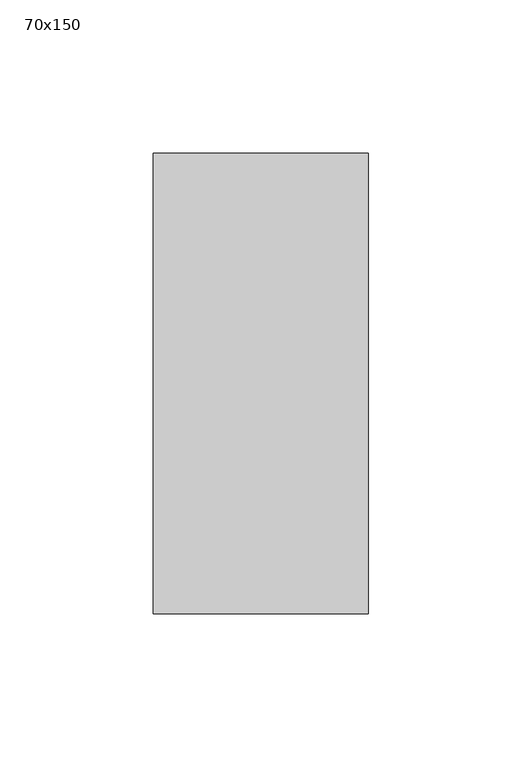
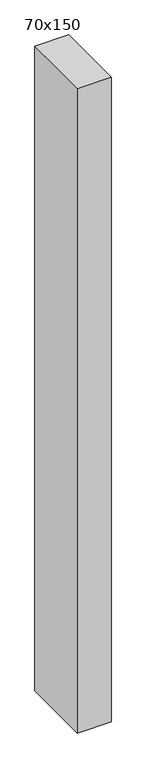
"""IFC4 building model written with IfcOpenShell, lengths in millimetres: member geometry, 70x150."""

from ifc_helpers import new_model, si_unit, frame, origin, place, context, project, spatial, polyline, outline, extrude, source, transform, mapped, element, save


def member_70x150_6df770a6(model_context):
    return source(origin(), model_context, "Body", "SweptSolid", [
        extrude(outline(polyline([(-75.0, -0.7561664), (75.0, 0.7561664), (75.0, -1401.6672959), (-75.0, -1402.2838104), (-75.0, -0.7561664)])), frame((-70.0, 0.0, 0.0), z_axis=(1.0, 0.0, 0.0), x_axis=(0.0, 1.0, 0.0)), (0.0, 0.0, 1.0), 70.0),
    ])


if __name__ == "__main__":
    model = new_model("IFC4")
    model_context = context("Model", 3, world=origin())
    ifc_project = project(units=[si_unit("LENGTHUNIT", "METRE", prefix="MILLI")], contexts=[model_context])
    site = spatial("IfcSite", under=ifc_project)
    building = spatial("IfcBuilding", under=site)
    placement = place(None, origin())
    member_70x150_shape = member_70x150_6df770a6(model_context)
    element("IfcMember", 1, ObjectType="70x150", at=placement, inside=building, context=model_context, shape_type="MappedRepresentation", body=[
        mapped(member_70x150_shape, transform((0.0, 0.0, 0.0), x_axis=(1.0, 0.0, 0.0), y_axis=(0.0, 1.0, 0.0), z_axis=(0.0, 0.0, 1.0))),
    ])
    save(model, "model.ifc")
